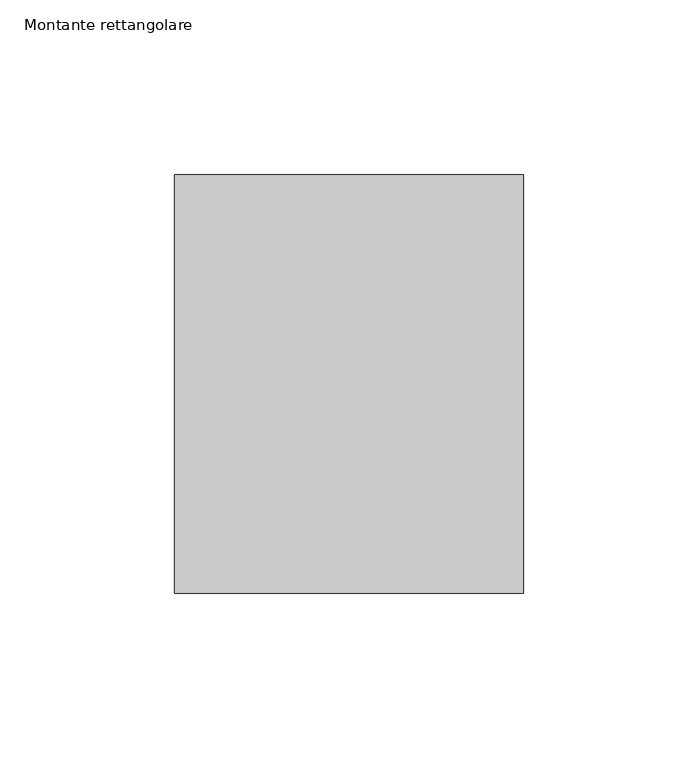
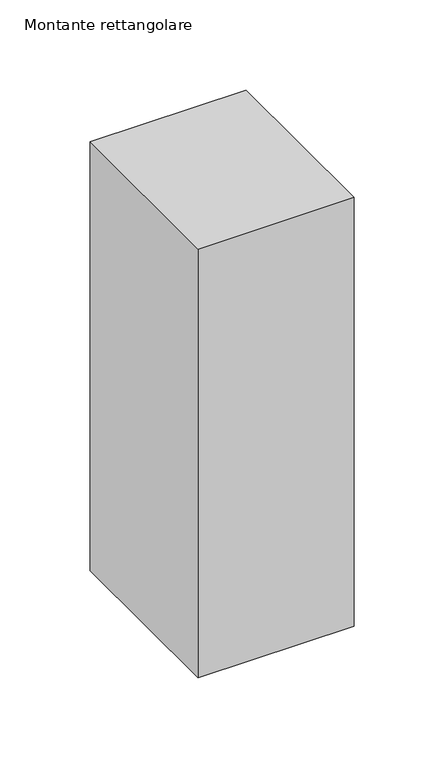
"""IFC4 building model written with IfcOpenShell, lengths in millimetres: member geometry, Montante rettangolare."""

from ifc_helpers import new_model, si_unit, frame, origin, place, context, project, spatial, polyline, outline, extrude, source, transform, mapped, element, save


def montante_rettangolare_3e95ab2b(model_context):
    return source(origin(), model_context, "Body", "SweptSolid", [
        extrude(outline(polyline([(50.0, 60.0), (50.0, -60.0), (-50.0, -60.0), (-50.0, 60.0), (50.0, 60.0)])), frame((0.0, 0.0, -290.7328698), z_axis=(0.0, 0.0, 1.0), x_axis=(1.0, 0.0, 0.0)), (0.0, 0.0, 1.0), 290.7328698),
    ])


if __name__ == "__main__":
    model = new_model("IFC4")
    model_context = context("Model", 3, world=origin())
    ifc_project = project(units=[si_unit("LENGTHUNIT", "METRE", prefix="MILLI")], contexts=[model_context])
    site = spatial("IfcSite", under=ifc_project)
    building = spatial("IfcBuilding", under=site)
    placement = place(None, origin())
    montante_rettangolare_shape = montante_rettangolare_3e95ab2b(model_context)
    element("IfcMember", 1, ObjectType="Montante rettangolare", at=placement, inside=building, context=model_context, shape_type="MappedRepresentation", body=[
        mapped(montante_rettangolare_shape, transform((0.0, 0.0, 0.0), x_axis=(1.0, 0.0, 0.0), y_axis=(0.0, 1.0, 0.0), z_axis=(0.0, 0.0, 1.0))),
    ])
    save(model, "model.ifc")
